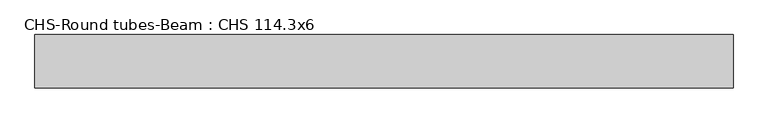
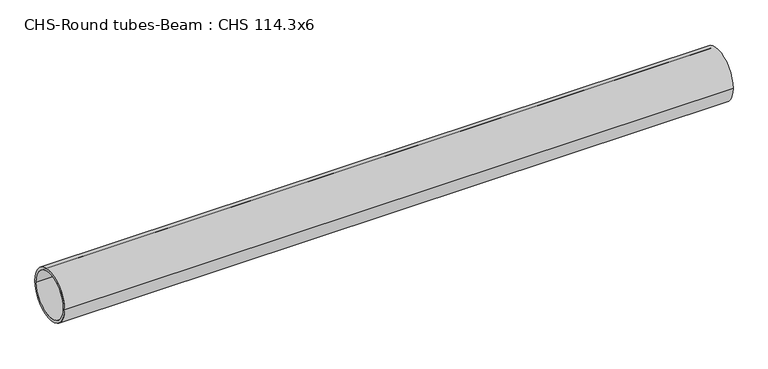
"""IFC4 building model written with IfcOpenShell, lengths in millimetres: beam geometry, CHS-Round tubes-Beam : CHS 114.3x6."""

from ifc_helpers import new_model, si_unit, point, frame, origin, origin_2d, place, context, project, spatial, circle_curve, trimmed, segment, composite_curve, outline, extrude, source, transform, mapped, element, save


def chs_round_tubes_beam_chs_114_3x6_d0a8c487(model_context):
    return source(origin(), model_context, "Body", "SweptSolid", [
        extrude(outline(composite_curve([segment(trimmed(circle_curve(origin_2d(), 57.15), [point((57.15, 0.0))], [point((-57.15, 0.0))], False, "CARTESIAN"), True, "CONTINUOUS"), segment(trimmed(circle_curve(origin_2d(), 57.15), [point((-57.15, 0.0))], [point((57.15, 0.0))], False, "CARTESIAN"), True, "CONTINUOUS")], self_intersect=False), holes=[composite_curve([segment(trimmed(circle_curve(origin_2d(), 51.15), [point((51.15, 0.0))], [point((-51.15, 0.0))], True, "CARTESIAN"), True, "CONTINUOUS"), segment(trimmed(circle_curve(origin_2d(), 51.15), [point((-51.15, 0.0))], [point((51.15, 0.0))], True, "CARTESIAN"), True, "CONTINUOUS")], self_intersect=False)]), frame((-761.6333245, 0.0, 0.0), z_axis=(1.0, 0.0, 0.0), x_axis=(0.0, 1.0, 0.0)), (0.0, 0.0, 1.0), 1495.1232317),
    ])


if __name__ == "__main__":
    model = new_model("IFC4")
    model_context = context("Model", 3, world=origin())
    ifc_project = project(units=[si_unit("LENGTHUNIT", "METRE", prefix="MILLI")], contexts=[model_context])
    site = spatial("IfcSite", under=ifc_project)
    building = spatial("IfcBuilding", under=site)
    placement = place(None, origin())
    chs_round_tubes_beam_chs_114_3x6_shape = chs_round_tubes_beam_chs_114_3x6_d0a8c487(model_context)
    element("IfcBeam", 1, ObjectType="CHS-Round tubes-Beam : CHS 114.3x6", at=placement, inside=building, context=model_context, shape_type="MappedRepresentation", body=[
        mapped(chs_round_tubes_beam_chs_114_3x6_shape, transform((0.0, 0.0, 0.0), x_axis=(1.0, 0.0, 0.0), y_axis=(0.0, 1.0, 0.0), z_axis=(0.0, 0.0, 1.0))),
    ])
    save(model, "model.ifc")
